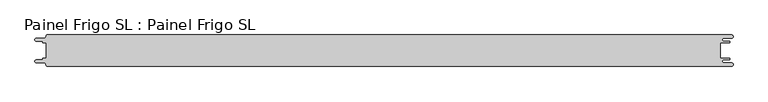
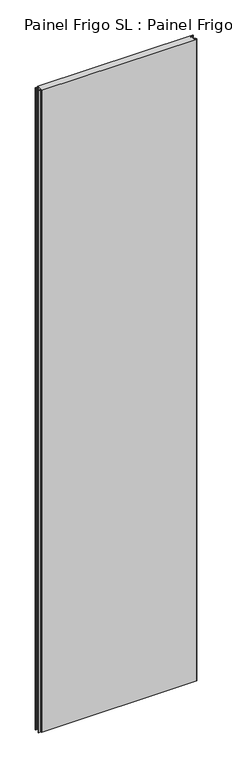
"""IFC4 building model written with IfcOpenShell, lengths in millimetres: proxy geometry, Painel Frigo SL : Painel Frigo SL."""

from ifc_helpers import new_model, si_unit, frame, origin, place, context, project, spatial, polyline, circle_curve, source, transform, mapped, element, save
from ifc_brep_helpers import plane_surface, cylinder_surface, revolved_surface, advanced_brep


def painel_frigo_sl_painel_frigo_sl_87e6ddfe(model_context):
    return source(origin(), model_context, "Body", "AdvancedBrep", [
        advanced_brep(
        [(-554.5874998, -12.3, 4800.0), (-555.1874998, -12.9, 4800.0), (-555.1874998, -13.7085184, 4800.0), (-556.5875001, -15.1085187, 4800.0), (-565.565625, -15.1085187, 4800.0), (-565.565625, -19.5085185, 4800.0), (-553.55, -19.5085185, 4800.0), (-550.0, -23.0585185, 4800.0), (-548.05, -25.0, 4800.0), (546.89375, -25.0, 4800.0), (546.89375, -19.725, 4800.0), (534.45625, -19.725, 4800.0), (534.45625, -14.875, 4800.0), (543.1187503, -14.875, 4800.0), (543.1187503, -12.3, 4800.0), (529.2687503, -12.3, 4800.0), (529.2687503, 12.3, 4800.0), (543.1187503, 12.3, 4800.0), (543.1187503, 14.875, 4800.0), (534.45625, 14.875, 4800.0), (534.45625, 19.725, 4800.0), (546.89375, 19.725, 4800.0), (546.89375, 25.0, 4800.0), (-548.05, 25.0, 4800.0), (-550.0, 23.05, 4800.0), (-553.55, 19.5085185, 4800.0), (-565.565625, 19.5085185, 4800.0), (-565.565625, 15.1085185, 4800.0), (-556.5875003, 15.1085185, 4800.0), (-555.1875003, 13.7085185, 4800.0), (-555.1875003, 12.9, 4800.0), (-554.5874998, 12.2999995, 4800.0), (-549.2999612, 12.2999995, 4800.0), (-549.2999612, -12.3, 4800.0), (-554.5874998, -12.3, 0.0), (-549.2999612, -12.3, 0.0), (-549.2999612, 12.2999995, 0.0), (-554.5874998, 12.2999995, 0.0), (-555.1875003, 12.9, 0.0), (-555.1875003, 13.7085185, 0.0), (-556.5875003, 15.1085185, 0.0), (-565.565625, 15.1085185, 0.0), (-565.565625, 19.5085185, 0.0), (-553.55, 19.5085185, 0.0), (-550.0, 23.0585185, 0.0), (-548.05, 25.0, 0.0), (546.89375, 25.0, 0.0), (546.89375, 19.725, 0.0), (534.45625, 19.725, 0.0), (534.45625, 14.875, 0.0), (543.1187503, 14.875, 0.0), (543.1187503, 12.3, 0.0), (529.2687503, 12.3, 0.0), (529.2687503, -12.3, 0.0), (543.1187503, -12.3, 0.0), (543.1187503, -14.875, 0.0), (534.45625, -14.875, 0.0), (534.45625, -19.725, 0.0), (546.89375, -19.725, 0.0), (546.89375, -25.0, 0.0), (-548.05, -25.0, 0.0), (-550.0, -23.05, 0.0), (-553.55, -19.5085185, 0.0), (-565.565625, -19.5085185, 0.0), (-565.565625, -15.1085187, 0.0), (-556.5875001, -15.1085187, 0.0), (-555.1874998, -13.7085184, 0.0), (-555.1874998, -12.9, 0.0)],
        [
            (0, 1, circle_curve(frame((-554.5874998, -12.9, 4800.0), z_axis=(0.0, 0.0, 1.0), x_axis=(1.0, 0.0, 0.0)), 0.6)),
            (1, 2),
            (2, 3, circle_curve(frame((-556.5875001, -13.7085184, 4800.0), z_axis=(0.0, 0.0, -1.0), x_axis=(1.0, 0.0, 0.0)), 1.4000003)),
            (3, 4),
            (4, 5, circle_curve(frame((-565.565625, -17.3085186, 4800.0), z_axis=(0.0, 0.0, 1.0), x_axis=(1.0, 0.0, 0.0)), 2.1999999)),
            (5, 6),
            (6, 7, circle_curve(frame((-553.55, -23.0585185, 4800.0), z_axis=(0.0, 0.0, -1.0), x_axis=(1.0, 0.0, 0.0)), 3.55)),
            (7, 8, circle_curve(frame((-548.05, -23.05, 4800.0), z_axis=(0.0, 0.0, 1.0), x_axis=(1.0, 0.0, 0.0)), 1.95)),
            (8, 9),
            (9, 10, circle_curve(frame((546.89375, -22.3625, 4800.0), z_axis=(0.0, 0.0, 1.0), x_axis=(1.0, 0.0, 0.0)), 2.6375)),
            (10, 11),
            (11, 12, circle_curve(frame((534.45625, -17.3, 4800.0), z_axis=(0.0, 0.0, -1.0), x_axis=(1.0, 0.0, 0.0)), 2.425)),
            (12, 13),
            (13, 14, circle_curve(frame((543.1187503, -13.5875, 4800.0), z_axis=(0.0, 0.0, 1.0), x_axis=(1.0, 0.0, 0.0)), 1.2875)),
            (14, 15),
            (15, 16),
            (16, 17),
            (17, 18, circle_curve(frame((543.1187503, 13.5875, 4800.0), z_axis=(0.0, 0.0, 1.0), x_axis=(1.0, 0.0, 0.0)), 1.2875)),
            (18, 19),
            (19, 20, circle_curve(frame((534.45625, 17.3, 4800.0), z_axis=(0.0, 0.0, -1.0), x_axis=(1.0, 0.0, 0.0)), 2.425)),
            (20, 21),
            (21, 22, circle_curve(frame((546.89375, 22.3625, 4800.0), z_axis=(0.0, 0.0, 1.0), x_axis=(1.0, 0.0, 0.0)), 2.6375)),
            (22, 23),
            (23, 24, circle_curve(frame((-548.05, 23.05, 4800.0), z_axis=(0.0, 0.0, 1.0), x_axis=(1.0, 0.0, 0.0)), 1.95)),
            (24, 25, circle_curve(frame((-553.55, 23.0585185, 4800.0), z_axis=(0.0, 0.0, -1.0), x_axis=(1.0, 0.0, 0.0)), 3.55)),
            (25, 26),
            (26, 27, circle_curve(frame((-565.565625, 17.3085185, 4800.0), z_axis=(0.0, 0.0, 1.0), x_axis=(1.0, 0.0, 0.0)), 2.2)),
            (27, 28),
            (28, 29, circle_curve(frame((-556.5875003, 13.7085185, 4800.0), z_axis=(0.0, 0.0, -1.0), x_axis=(1.0, 0.0, 0.0)), 1.4)),
            (29, 30),
            (30, 31, circle_curve(frame((-554.5874998, 12.9, 4800.0), z_axis=(0.0, 0.0, 1.0), x_axis=(1.0, 0.0, 0.0)), 0.6000005)),
            (31, 32),
            (32, 33),
            (33, 0),
            (34, 35),
            (35, 36),
            (36, 37),
            (37, 38, circle_curve(frame((-554.5874998, 12.9, 0.0), z_axis=(0.0, 0.0, -1.0), x_axis=(1.0, 0.0, 0.0)), 0.6000005)),
            (38, 39),
            (39, 40, circle_curve(frame((-556.5875003, 13.7085185, 0.0), z_axis=(0.0, 0.0, 1.0), x_axis=(1.0, 0.0, 0.0)), 1.4)),
            (40, 41),
            (41, 42, circle_curve(frame((-565.565625, 17.3085185, 0.0), z_axis=(0.0, 0.0, -1.0), x_axis=(1.0, 0.0, 0.0)), 2.2)),
            (42, 43),
            (43, 44, circle_curve(frame((-553.55, 23.0585185, 0.0), z_axis=(0.0, 0.0, 1.0), x_axis=(1.0, 0.0, 0.0)), 3.55)),
            (44, 45, circle_curve(frame((-548.05, 23.05, 0.0), z_axis=(0.0, 0.0, -1.0), x_axis=(1.0, 0.0, 0.0)), 1.95)),
            (45, 46),
            (46, 47, circle_curve(frame((546.89375, 22.3625, 0.0), z_axis=(0.0, 0.0, -1.0), x_axis=(1.0, 0.0, 0.0)), 2.6375)),
            (47, 48),
            (48, 49, circle_curve(frame((534.45625, 17.3, 0.0), z_axis=(0.0, 0.0, 1.0), x_axis=(1.0, 0.0, 0.0)), 2.425)),
            (49, 50),
            (50, 51, circle_curve(frame((543.1187503, 13.5875, 0.0), z_axis=(0.0, 0.0, -1.0), x_axis=(1.0, 0.0, 0.0)), 1.2875)),
            (51, 52),
            (52, 53),
            (53, 54),
            (54, 55, circle_curve(frame((543.1187503, -13.5875, 0.0), z_axis=(0.0, 0.0, -1.0), x_axis=(1.0, 0.0, 0.0)), 1.2875)),
            (55, 56),
            (56, 57, circle_curve(frame((534.45625, -17.3, 0.0), z_axis=(0.0, 0.0, 1.0), x_axis=(1.0, 0.0, 0.0)), 2.425)),
            (57, 58),
            (58, 59, circle_curve(frame((546.89375, -22.3625, 0.0), z_axis=(0.0, 0.0, -1.0), x_axis=(1.0, 0.0, 0.0)), 2.6375)),
            (59, 60),
            (60, 61, circle_curve(frame((-548.05, -23.05, 0.0), z_axis=(0.0, 0.0, -1.0), x_axis=(1.0, 0.0, 0.0)), 1.95)),
            (61, 62, circle_curve(frame((-553.55, -23.0585185, 0.0), z_axis=(0.0, 0.0, 1.0), x_axis=(1.0, 0.0, 0.0)), 3.55)),
            (62, 63),
            (63, 64, circle_curve(frame((-565.565625, -17.3085186, 0.0), z_axis=(0.0, 0.0, -1.0), x_axis=(1.0, 0.0, 0.0)), 2.1999999)),
            (64, 65),
            (65, 66, circle_curve(frame((-556.5875001, -13.7085184, 0.0), z_axis=(0.0, 0.0, 1.0), x_axis=(1.0, 0.0, 0.0)), 1.4000003)),
            (66, 67),
            (67, 34, circle_curve(frame((-554.5874998, -12.9, 0.0), z_axis=(0.0, 0.0, -1.0), x_axis=(1.0, 0.0, 0.0)), 0.6)),
            (33, 35),
            (34, 0),
            (32, 36),
            (31, 37),
            (30, 38),
            (29, 39),
            (28, 40),
            (27, 41),
            (26, 42),
            (25, 43),
            (24, 44),
            (23, 45),
            (22, 46),
            (15, 53),
            (52, 16),
            (14, 54),
            (13, 55),
            (12, 56),
            (11, 57),
            (10, 58),
            (9, 59),
            (8, 60),
            (7, 61),
            (6, 62),
            (5, 63),
            (4, 64),
            (3, 65),
            (2, 66),
            (1, 67),
            (21, 47),
            (20, 48),
            (19, 49),
            (18, 50),
            (17, 51),
        ],
        [
            plane_surface(frame((-549.2999612, -12.3, 4800.0), z_axis=(0.0, 0.0, 1.0), x_axis=(1.0, 0.0, 0.0))),
            plane_surface(frame((-549.2999612, -12.3, 0.0), z_axis=(0.0, 0.0, -1.0), x_axis=(-1.0, 0.0, 0.0))),
            plane_surface(frame((-554.5874998, -12.3, 4800.0), z_axis=(0.0, 1.0, 0.0), x_axis=(0.0, 0.0, -1.0))),
            plane_surface(frame((-549.2999612, -12.3, 4800.0), z_axis=(-1.0, 0.0, 0.0), x_axis=(0.0, 0.0, -1.0))),
            plane_surface(frame((-549.2999612, 12.2999995, 4800.0), z_axis=(0.0, -1.0, 0.0), x_axis=(0.0, 0.0, -1.0))),
            cylinder_surface(frame((-554.5874998, 12.9, 0.0), z_axis=(0.0, 0.0, 1.0), x_axis=(1.0, 0.0, 0.0)), 0.6000005),
            plane_surface(frame((-555.1875003, 12.9, 4800.0), z_axis=(-1.0, -1.7578608662329016e-12, 0.0), x_axis=(0.0, 0.0, -1.0))),
            revolved_surface(polyline([(-555.1875003, 13.7085185, 0.0), (-555.1875003, 13.7085185, 4800.0)]), (-556.5875003, 13.7085185, 0.0), (0.0, 0.0, -1.0)),
            plane_surface(frame((-556.5875003, 15.1085185, 4800.0), z_axis=(0.0, -1.0, 0.0), x_axis=(0.0, 0.0, -1.0))),
            cylinder_surface(frame((-565.565625, 17.3085185, 0.0), z_axis=(0.0, 0.0, 1.0), x_axis=(1.0, 0.0, 0.0)), 2.2),
            plane_surface(frame((-565.565625, 19.5085185, 4800.0), z_axis=(0.0, 1.0, 0.0), x_axis=(0.0, 0.0, -1.0))),
            revolved_surface(polyline([(-550.0, 23.0585185, 0.0), (-550.0, 23.0585185, 4800.0)]), (-553.55, 23.0585185, 0.0), (0.0, 0.0, -1.0)),
            cylinder_surface(frame((-548.05, 23.05, 0.0), z_axis=(0.0, 0.0, 1.0), x_axis=(1.0, 0.0, 0.0)), 1.95),
            plane_surface(frame((-548.05, 25.0, 4800.0), z_axis=(0.0, 1.0, 0.0), x_axis=(0.0, 0.0, -1.0))),
            plane_surface(frame((529.2687503, 12.3, 4800.0), z_axis=(1.0, 0.0, 0.0), x_axis=(0.0, 0.0, -1.0))),
            plane_surface(frame((529.2687503, -12.3, 4800.0), z_axis=(0.0, 1.0, 0.0), x_axis=(0.0, 0.0, -1.0))),
            cylinder_surface(frame((543.1187503, -13.5875, 0.0), z_axis=(0.0, 0.0, 1.0), x_axis=(1.0, 0.0, 0.0)), 1.2875),
            plane_surface(frame((543.1187503, -14.875, 4800.0), z_axis=(0.0, -1.0, 0.0), x_axis=(0.0, 0.0, -1.0))),
            revolved_surface(polyline([(536.8812499999999, -17.3, 0.0), (536.8812499999999, -17.3, 4800.0)]), (534.45625, -17.3, 0.0), (0.0, 0.0, -1.0)),
            plane_surface(frame((534.45625, -19.725, 4800.0), z_axis=(0.0, 1.0, 0.0), x_axis=(0.0, 0.0, -1.0))),
            cylinder_surface(frame((546.89375, -22.3625, 0.0), z_axis=(0.0, 0.0, 1.0), x_axis=(1.0, 0.0, 0.0)), 2.6375),
            plane_surface(frame((546.89375, -25.0, 4800.0), z_axis=(0.0, -1.0, 0.0), x_axis=(0.0, 0.0, -1.0))),
            cylinder_surface(frame((-548.05, -23.05, 0.0), z_axis=(0.0, 0.0, 1.0), x_axis=(1.0, 0.0, 0.0)), 1.95),
            revolved_surface(polyline([(-550.0, -23.0585185, 0.0), (-550.0, -23.0585185, 4800.0)]), (-553.55, -23.0585185, 0.0), (0.0, 0.0, -1.0)),
            plane_surface(frame((-553.55, -19.5085185, 4800.0), z_axis=(0.0, -1.0, 0.0), x_axis=(0.0, 0.0, -1.0))),
            cylinder_surface(frame((-565.565625, -17.3085186, 0.0), z_axis=(0.0, 0.0, 1.0), x_axis=(1.0, 0.0, 0.0)), 2.1999999),
            plane_surface(frame((-565.565625, -15.1085187, 4800.0), z_axis=(0.0, 1.0, 0.0), x_axis=(0.0, 0.0, -1.0))),
            revolved_surface(polyline([(-555.1874998000001, -13.7085184, 0.0), (-555.1874998000001, -13.7085184, 4800.0)]), (-556.5875001, -13.7085184, 0.0), (0.0, 0.0, -1.0)),
            plane_surface(frame((-555.1874998, -13.7085184, 4800.0), z_axis=(-1.0, 0.0, 0.0), x_axis=(0.0, 0.0, -1.0))),
            cylinder_surface(frame((-554.5874998, -12.9, 0.0), z_axis=(0.0, 0.0, 1.0), x_axis=(1.0, 0.0, 0.0)), 0.6),
            cylinder_surface(frame((546.89375, 22.3625, 0.0), z_axis=(0.0, 0.0, 1.0), x_axis=(1.0, 0.0, 0.0)), 2.6375),
            plane_surface(frame((546.89375, 19.725, 4800.0), z_axis=(0.0, -1.0, 0.0), x_axis=(0.0, 0.0, -1.0))),
            revolved_surface(polyline([(536.8812499999999, 17.3, 0.0), (536.8812499999999, 17.3, 4800.0)]), (534.45625, 17.3, 0.0), (0.0, 0.0, -1.0)),
            plane_surface(frame((534.45625, 14.875, 4800.0), z_axis=(0.0, 1.0, 0.0), x_axis=(0.0, 0.0, -1.0))),
            cylinder_surface(frame((543.1187503, 13.5875, 0.0), z_axis=(0.0, 0.0, 1.0), x_axis=(1.0, 0.0, 0.0)), 1.2875),
            plane_surface(frame((543.1187503, 12.3, 4800.0), z_axis=(0.0, -1.0, 0.0), x_axis=(0.0, 0.0, -1.0))),
        ],
        [
            (0, [[1, 2, 3, 4, 5, 6, 7, 8, 9, 10, 11, 12, 13, 14, 15, 16, 17, 18, 19, 20, 21, 22, 23, 24, 25, 26, 27, 28, 29, 30, 31, 32, 33, 34]]),
            (1, [[35, 36, 37, 38, 39, 40, 41, 42, 43, 44, 45, 46, 47, 48, 49, 50, 51, 52, 53, 54, 55, 56, 57, 58, 59, 60, 61, 62, 63, 64, 65, 66, 67, 68]]),
            (2, [[69, -35, 70, -34]]),
            (3, [[71, -36, -69, -33]]),
            (4, [[72, -37, -71, -32]]),
            (5, [[73, -38, -72, -31]]),
            (6, [[74, -39, -73, -30]]),
            (7, [[75, -40, -74, -29]]),
            (8, [[76, -41, -75, -28]]),
            (9, [[77, -42, -76, -27]]),
            (10, [[78, -43, -77, -26]]),
            (11, [[79, -44, -78, -25]]),
            (12, [[80, -45, -79, -24]]),
            (13, [[81, -46, -80, -23]]),
            (14, [[82, -53, 83, -16]]),
            (15, [[84, -54, -82, -15]]),
            (16, [[85, -55, -84, -14]]),
            (17, [[86, -56, -85, -13]]),
            (18, [[87, -57, -86, -12]]),
            (19, [[88, -58, -87, -11]]),
            (20, [[89, -59, -88, -10]]),
            (21, [[90, -60, -89, -9]]),
            (22, [[91, -61, -90, -8]]),
            (23, [[92, -62, -91, -7]]),
            (24, [[93, -63, -92, -6]]),
            (25, [[94, -64, -93, -5]]),
            (26, [[95, -65, -94, -4]]),
            (27, [[96, -66, -95, -3]]),
            (28, [[97, -67, -96, -2]]),
            (29, [[-70, -68, -97, -1]]),
            (30, [[98, -47, -81, -22]]),
            (31, [[99, -48, -98, -21]]),
            (32, [[100, -49, -99, -20]]),
            (33, [[101, -50, -100, -19]]),
            (34, [[102, -51, -101, -18]]),
            (35, [[-83, -52, -102, -17]]),
        ],
    ),
    ])


if __name__ == "__main__":
    model = new_model("IFC4")
    model_context = context("Model", 3, world=origin())
    ifc_project = project(units=[si_unit("LENGTHUNIT", "METRE", prefix="MILLI")], contexts=[model_context])
    site = spatial("IfcSite", under=ifc_project)
    building = spatial("IfcBuilding", under=site)
    placement = place(None, origin())
    painel_frigo_sl_painel_frigo_sl_shape = painel_frigo_sl_painel_frigo_sl_87e6ddfe(model_context)
    element("IfcBuildingElementProxy", 1, Name="Painel Frigo SL : Painel Frigo SL", ObjectType="Painel Frigo SL : Painel Frigo SL", at=placement, inside=building, context=model_context, shape_type="MappedRepresentation", body=[
        mapped(painel_frigo_sl_painel_frigo_sl_shape, transform((0.0, 0.0, 0.0), x_axis=(1.0, 0.0, 0.0), y_axis=(0.0, 1.0, 0.0), z_axis=(0.0, 0.0, 1.0))),
    ])
    save(model, "model.ifc")
